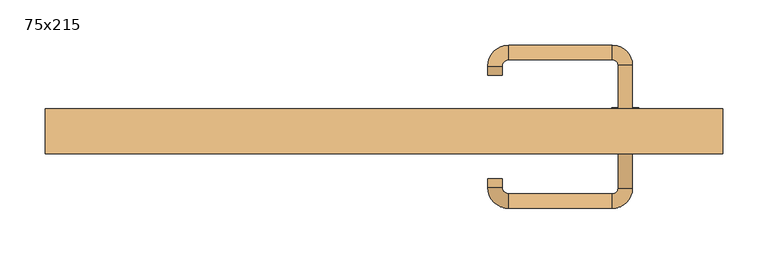
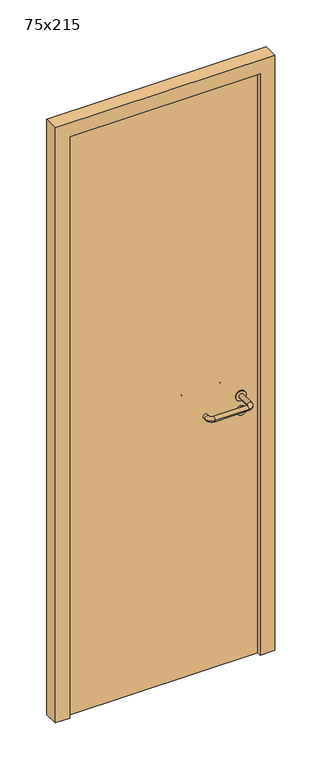
"""IFC4 building model written with IfcOpenShell, lengths in millimetres: door geometry, 75x215."""

from ifc_helpers import new_model, si_unit, point, frame, frame_2d, origin, origin_with_axes, place, context, project, spatial, polyline, circle_curve, ellipse_curve, trimmed, segment, composite_curve, outline, extrude, source, transform, mapped, element, save
from ifc_brep_helpers import plane_surface, cylinder_surface, revolved_surface, advanced_brep


def door_75x215_99fddc84(model_context):
    return source(origin(), model_context, "Body", "SolidModel", [
        extrude(outline(composite_curve([segment(trimmed(circle_curve(frame_2d((897.3605726, 267.0)), 15.0), [point((897.3605726, 282.0))], [point((897.3605726, 252.0))], False, "CARTESIAN"), True, "CONTINUOUS"), segment(trimmed(circle_curve(frame_2d((897.3605726, 267.0)), 15.0), [point((897.3605726, 252.0))], [point((897.3605726, 282.0))], False, "CARTESIAN"), True, "CONTINUOUS")], self_intersect=False), holes=[composite_curve([segment(trimmed(circle_curve(frame_2d((892.5833211, 266.9398032)), 2.0), [point((892.5833211, 268.9398032))], [point((892.5833211, 264.9398032))], True, "CARTESIAN"), True, "CONTINUOUS"), segment(polyline([(892.5833211, 264.9398032), (902.5833211, 264.9398032)]), True, "CONTINUOUS"), segment(trimmed(circle_curve(frame_2d((902.5833211, 266.9398032)), 2.0), [point((902.5833211, 264.9398032))], [point((902.5833211, 268.9398032))], True, "CARTESIAN"), True, "CONTINUOUS"), segment(polyline([(902.5833211, 268.9398032), (892.5833211, 268.9398032)]), True, "CONTINUOUS")], self_intersect=False)]), frame((0.0, 26.15, 0.0), z_axis=(0.0, 1.0, 0.0), x_axis=(0.0, 0.0, 1.0)), (0.0, 0.0, 1.0), 6.35),
        extrude(outline(composite_curve([segment(trimmed(circle_curve(frame_2d((950.0, 267.0)), 17.526), [point((950.0, 284.526))], [point((950.0, 249.474))], False, "CARTESIAN"), True, "CONTINUOUS"), segment(trimmed(circle_curve(frame_2d((950.0, 267.0)), 17.526), [point((950.0, 249.474))], [point((950.0, 284.526))], False, "CARTESIAN"), True, "CONTINUOUS")], self_intersect=False)), frame((0.0, 29.325, 0.0), z_axis=(0.0, 1.0, 0.0), x_axis=(0.0, 0.0, 1.0)), (0.0, 0.0, 1.0), 3.175),
        advanced_brep(
        [(275.0, 32.5, 950.0), (259.0, 32.5, 950.0), (259.0, -20.5, 950.0), (275.0, -20.5, 950.0), (252.8578644, -26.6421356, 950.0), (252.8578644, -42.6421356, 950.0), (137.8578644, -26.6421356, 950.0), (137.8578644, -42.6421356, 950.0), (131.008622, -19.7928932, 950.0), (115.008622, -19.7928932, 950.0), (115.008622, -9.7928932, 950.0), (131.008622, -9.7928932, 950.0)],
        [
            (0, 1, circle_curve(frame((267.0, 32.5, 950.0), z_axis=(0.0, 1.0, 0.0), x_axis=(-1.0, 0.0, 0.0)), 8.0)),
            (1, 0, circle_curve(frame((267.0, 32.5, 950.0), z_axis=(0.0, 1.0, 0.0), x_axis=(-1.0, 0.0, 0.0)), 8.0)),
            (1, 2),
            (2, 3, circle_curve(frame((267.0, -20.5, 950.0), z_axis=(0.0, 1.0, 0.0), x_axis=(-1.0, 0.0, 0.0)), 8.0)),
            (3, 0),
            (3, 2, circle_curve(frame((267.0, -20.5, 950.0), z_axis=(0.0, 1.0, 0.0), x_axis=(-1.0, 0.0, 0.0)), 8.0)),
            (4, 5, circle_curve(frame((252.8578644, -34.6421356, 950.0), z_axis=(1.0, 0.0, 0.0), x_axis=(0.0, 1.0, 0.0)), 8.0)),
            (5, 3, circle_curve(frame((252.8578644, -20.5, 950.0), z_axis=(0.0, 0.0, 1.0), x_axis=(1.0, 0.0, 0.0)), 22.1421356)),
            (2, 4, circle_curve(frame((252.8578644, -20.5, 950.0), z_axis=(0.0, 0.0, -1.0), x_axis=(1.0, 0.0, 0.0)), 6.1421356)),
            (5, 4, circle_curve(frame((252.8578644, -34.6421356, 950.0), z_axis=(1.0, 0.0, 0.0), x_axis=(0.0, 1.0, 0.0)), 8.0)),
            (4, 6),
            (6, 7, circle_curve(frame((137.8578644, -34.6421356, 950.0), z_axis=(1.0, 0.0, 0.0), x_axis=(0.0, 1.0, 0.0)), 8.0)),
            (7, 5),
            (7, 6, circle_curve(frame((137.8578644, -34.6421356, 950.0), z_axis=(1.0, 0.0, 0.0), x_axis=(0.0, 1.0, 0.0)), 8.0)),
            (8, 9, circle_curve(frame((123.008622, -19.7928932, 950.0), z_axis=(0.0, -1.0, 0.0), x_axis=(1.0, 0.0, 0.0)), 8.0)),
            (9, 7, circle_curve(frame((137.8578644, -19.7928932, 950.0), z_axis=(0.0, 0.0, 1.0), x_axis=(0.0, -1.0, 0.0)), 22.8492424)),
            (6, 8, circle_curve(frame((137.8578644, -19.7928932, 950.0), z_axis=(0.0, 0.0, -1.0), x_axis=(0.0, -1.0, 0.0)), 6.8492424)),
            (9, 8, circle_curve(frame((123.008622, -19.7928932, 950.0), z_axis=(0.0, -1.0, 0.0), x_axis=(1.0, 0.0, 0.0)), 8.0)),
            (10, 11, circle_curve(frame((123.008622, -9.7928932, 950.0), z_axis=(0.0, 1.0, 0.0), x_axis=(1.0, 0.0, 0.0)), 8.0)),
            (11, 10, circle_curve(frame((123.008622, -9.7928932, 950.0), z_axis=(0.0, 1.0, 0.0), x_axis=(1.0, 0.0, 0.0)), 8.0)),
            (8, 11),
            (10, 9),
        ],
        [
            plane_surface(frame((267.0, 32.5, 170.0), z_axis=(0.0, 1.0, 0.0), x_axis=(0.0, 0.0, 1.0))),
            cylinder_surface(frame((267.0, 32.5, 950.0), z_axis=(0.0, 1.0, 0.0), x_axis=(-1.0, 0.0, 0.0)), 8.0),
            revolved_surface(trimmed(ellipse_curve(frame((267.0, -20.5, 950.0), z_axis=(0.0, -1.0, 0.0), x_axis=(-1.0, 0.0, 0.0)), 8.0, 8.0), [point((275.0, -20.5, 950.0))], [point((259.0, -20.5, 950.0))], True, "CARTESIAN"), (252.8578644, -20.5, 170.0), (0.0, 0.0, 1.0)),
            revolved_surface(trimmed(ellipse_curve(frame((267.0, -20.5, 950.0), z_axis=(0.0, -1.0, 0.0), x_axis=(-1.0, 0.0, 0.0)), 8.0, 8.0), [point((259.0, -20.5, 950.0))], [point((275.0, -20.5, 950.0))], True, "CARTESIAN"), (252.8578644, -20.5, 170.0), (0.0, 0.0, 1.0)),
            cylinder_surface(frame((252.8578644, -34.6421356, 950.0), z_axis=(1.0, 0.0, 0.0), x_axis=(0.0, 1.0, 0.0)), 8.0),
            revolved_surface(trimmed(ellipse_curve(frame((137.8578644, -34.6421356, 950.0), z_axis=(-1.0, 0.0, 0.0), x_axis=(0.0, 1.0, 0.0)), 8.0, 8.0), [point((137.8578644, -42.6421356, 950.0))], [point((137.8578644, -26.6421356, 950.0))], True, "CARTESIAN"), (137.8578644, -19.7928932, 170.0), (0.0, 0.0, 1.0)),
            revolved_surface(trimmed(ellipse_curve(frame((137.8578644, -34.6421356, 950.0), z_axis=(-1.0, 0.0, 0.0), x_axis=(0.0, 1.0, 0.0)), 8.0, 8.0), [point((137.8578644, -26.6421356, 950.0))], [point((137.8578644, -42.6421356, 950.0))], True, "CARTESIAN"), (137.8578644, -19.7928932, 170.0), (0.0, 0.0, 1.0)),
            plane_surface(frame((123.008622, -9.7928932, 170.0), z_axis=(0.0, 1.0, 0.0), x_axis=(0.0, 0.0, 1.0))),
            cylinder_surface(frame((123.008622, -19.7928932, 950.0), z_axis=(0.0, -1.0, 0.0), x_axis=(1.0, 0.0, 0.0)), 8.0),
        ],
        [
            (0, [[1, 2]]),
            (1, [[3, 4, 5, -2]]),
            (1, [[-5, 6, -3, -1]]),
            (2, [[7, 8, -4, 9]]),
            (3, [[10, -9, -6, -8]]),
            (4, [[11, 12, 13, -7]]),
            (4, [[-13, 14, -11, -10]]),
            (5, [[15, 16, -12, 17]]),
            (6, [[18, -17, -14, -16]]),
            (7, [[19, 20]]),
            (8, [[21, -19, 22, -15]]),
            (8, [[-22, -20, -21, -18]]),
        ],
    ),
        extrude(outline(composite_curve([segment(trimmed(circle_curve(frame_2d((0.0, -15.0)), 15.0), [point((0.0, -30.0))], [point((0.0, 0.0))], False, "CARTESIAN"), True, "CONTINUOUS"), segment(trimmed(circle_curve(frame_2d((0.0, -15.0)), 15.0), [point((0.0, 0.0))], [point((0.0, -30.0))], False, "CARTESIAN"), True, "CONTINUOUS")], self_intersect=False), holes=[composite_curve([segment(trimmed(circle_curve(frame_2d((4.7772515, -14.9398032)), 2.0), [point((4.7772515, -16.9398032))], [point((4.7772515, -12.9398032))], True, "CARTESIAN"), True, "CONTINUOUS"), segment(polyline([(4.7772515, -12.9398032), (-5.2227485, -12.9398032)]), True, "CONTINUOUS"), segment(trimmed(circle_curve(frame_2d((-5.2227485, -14.9398032)), 2.0), [point((-5.2227485, -12.9398032))], [point((-5.2227485, -16.9398032))], True, "CARTESIAN"), True, "CONTINUOUS"), segment(polyline([(-5.2227485, -16.9398032), (4.7772515, -16.9398032)]), True, "CONTINUOUS")], self_intersect=False)]), frame((252.0, 62.5, 897.3605726), z_axis=(1.8870575173328306e-12, 1.0, 0.0), x_axis=(0.0, 0.0, -1.0)), (0.0, 0.0, 1.0), 6.35),
        extrude(outline(composite_curve([segment(trimmed(circle_curve(frame_2d((0.0, -17.526)), 17.526), [point((0.0, -35.052))], [point((0.0, 0.0))], False, "CARTESIAN"), True, "CONTINUOUS"), segment(trimmed(circle_curve(frame_2d((0.0, -17.526)), 17.526), [point((0.0, 0.0))], [point((0.0, -35.052))], False, "CARTESIAN"), True, "CONTINUOUS")], self_intersect=False)), frame((249.474, 62.5, 950.0), z_axis=(1.8870575173328306e-12, 1.0, 0.0), x_axis=(0.0, 0.0, -1.0)), (0.0, 0.0, 1.0), 3.175),
        advanced_brep(
        [(275.0, 62.5, 950.0), (259.0, 62.5, 950.0), (275.0, 115.5, 950.0), (259.0, 115.5, 950.0), (252.8578644, 121.6421356, 950.0), (252.8578644, 137.6421356, 950.0), (137.8578644, 137.6421356, 950.0), (137.8578644, 121.6421356, 950.0), (131.008622, 114.7928932, 950.0), (115.008622, 114.7928932, 950.0), (115.008622, 104.7928932, 950.0), (131.008622, 104.7928932, 950.0)],
        [
            (0, 1, circle_curve(frame((267.0, 62.5, 950.0), z_axis=(-1.888672253512351e-12, -1.0, 0.0), x_axis=(-1.0, 1.888672253512351e-12, 0.0)), 8.0)),
            (1, 0, circle_curve(frame((267.0, 62.5, 950.0), z_axis=(-1.888672253512351e-12, -1.0, 0.0), x_axis=(-1.0, 1.888672253512351e-12, 0.0)), 8.0)),
            (0, 2),
            (2, 3, circle_curve(frame((267.0, 115.5, 950.0), z_axis=(-1.888672253512351e-12, -1.0, 0.0), x_axis=(-1.0, 1.888672253512351e-12, 0.0)), 8.0)),
            (3, 1),
            (3, 2, circle_curve(frame((267.0, 115.5, 950.0), z_axis=(-1.888672253512351e-12, -1.0, 0.0), x_axis=(-1.0, 1.888672253512351e-12, 0.0)), 8.0)),
            (4, 3, circle_curve(frame((252.8578644, 115.5, 950.0), z_axis=(0.0, 0.0, -1.0), x_axis=(1.0, -1.880717803715015e-12, 0.0)), 6.1421356)),
            (2, 5, circle_curve(frame((252.8578644, 115.5, 950.0), z_axis=(0.0, 0.0, 1.0), x_axis=(1.0, -1.880717803715015e-12, 0.0)), 22.1421356)),
            (5, 4, circle_curve(frame((252.8578644, 129.6421356, 950.0), z_axis=(1.0, -1.913702061528922e-12, 0.0), x_axis=(-1.913702061528922e-12, -1.0, 0.0)), 8.0)),
            (4, 5, circle_curve(frame((252.8578644, 129.6421356, 950.0), z_axis=(1.0, -1.913702061528922e-12, 0.0), x_axis=(-1.913702061528922e-12, -1.0, 0.0)), 8.0)),
            (5, 6),
            (6, 7, circle_curve(frame((137.8578644, 129.6421356, 950.0), z_axis=(1.0, -1.913719828541269e-12, 0.0), x_axis=(-1.913719828541269e-12, -1.0, 0.0)), 8.0)),
            (7, 4),
            (7, 6, circle_curve(frame((137.8578644, 129.6421356, 950.0), z_axis=(1.0, -1.913719828541269e-12, 0.0), x_axis=(-1.913719828541269e-12, -1.0, 0.0)), 8.0)),
            (8, 7, circle_curve(frame((137.8578644, 114.7928932, 950.0), z_axis=(0.0, 0.0, -1.0), x_axis=(1.9120873253494017e-12, 1.0, 0.0)), 6.8492424)),
            (6, 9, circle_curve(frame((137.8578644, 114.7928932, 950.0), z_axis=(0.0, 0.0, 1.0), x_axis=(1.9120873253494017e-12, 1.0, 0.0)), 22.8492424)),
            (9, 8, circle_curve(frame((123.008622, 114.7928932, 950.0), z_axis=(1.890670654956676e-12, 1.0, 0.0), x_axis=(1.0, -1.890670654956676e-12, 0.0)), 8.0)),
            (8, 9, circle_curve(frame((123.008622, 114.7928932, 950.0), z_axis=(1.890226565746826e-12, 1.0, 0.0), x_axis=(1.0, -1.890226565746826e-12, 0.0)), 8.0)),
            (10, 11, circle_curve(frame((123.008622, 104.7928932, 950.0), z_axis=(-1.8903642334018795e-12, -1.0, 0.0), x_axis=(1.0, -1.8903642334018795e-12, 0.0)), 8.0)),
            (11, 10, circle_curve(frame((123.008622, 104.7928932, 950.0), z_axis=(-1.8903642334018795e-12, -1.0, 0.0), x_axis=(1.0, -1.8903642334018795e-12, 0.0)), 8.0)),
            (9, 10),
            (11, 8),
        ],
        [
            plane_surface(frame((267.0, 62.5, 170.0), z_axis=(-1.8870575173328306e-12, -1.0, 0.0), x_axis=(0.0, 0.0, 1.0))),
            cylinder_surface(frame((267.0, 62.5, 950.0), z_axis=(-1.888672253512351e-12, -1.0, 0.0), x_axis=(-1.0, 1.888672253512351e-12, 0.0)), 8.0),
            revolved_surface(trimmed(ellipse_curve(frame((267.0, 115.5, 950.0), z_axis=(-1.8823325398945356e-12, -1.0, 0.0), x_axis=(-1.0, 1.8823325398945356e-12, 0.0)), 8.0, 8.0), [point((275.0, 115.5, 950.0))], [point((259.0, 115.5, 950.0))], True, "CARTESIAN"), (252.8578644, 115.5, 170.0), (0.0, 0.0, 1.0)),
            revolved_surface(trimmed(ellipse_curve(frame((267.0, 115.5, 950.0), z_axis=(-1.8823325398945356e-12, -1.0, 0.0), x_axis=(-1.0, 1.8823325398945356e-12, 0.0)), 8.0, 8.0), [point((259.0, 115.5, 950.0))], [point((275.0, 115.5, 950.0))], True, "CARTESIAN"), (252.8578644, 115.5, 170.0), (0.0, 0.0, 1.0)),
            cylinder_surface(frame((252.8578644, 129.6421356, 950.0), z_axis=(1.0, -1.913719828541269e-12, 0.0), x_axis=(-1.913719828541269e-12, -1.0, 0.0)), 8.0),
            revolved_surface(trimmed(ellipse_curve(frame((137.8578644, 129.6421356, 950.0), z_axis=(1.0, -1.913702061528922e-12, 0.0), x_axis=(-1.913702061528922e-12, -1.0, 0.0)), 8.0, 8.0), [point((137.8578644, 137.6421356, 950.0))], [point((137.8578644, 121.6421356, 950.0))], True, "CARTESIAN"), (137.8578644, 114.7928932, 170.0), (0.0, 0.0, 1.0)),
            revolved_surface(trimmed(ellipse_curve(frame((137.8578644, 129.6421356, 950.0), z_axis=(1.0, -1.913702061528922e-12, 0.0), x_axis=(-1.913702061528922e-12, -1.0, 0.0)), 8.0, 8.0), [point((137.8578644, 121.6421356, 950.0))], [point((137.8578644, 137.6421356, 950.0))], True, "CARTESIAN"), (137.8578644, 114.7928932, 170.0), (0.0, 0.0, 1.0)),
            plane_surface(frame((123.008622, 104.7928932, 170.0), z_axis=(-1.8887494972223595e-12, -1.0, 0.0), x_axis=(0.0, 0.0, 1.0))),
            cylinder_surface(frame((123.008622, 114.7928932, 950.0), z_axis=(1.8903642334018795e-12, 1.0, 0.0), x_axis=(1.0, -1.8903642334018795e-12, 0.0)), 8.0),
        ],
        [
            (0, [[1, 2]]),
            (1, [[-1, 3, 4, 5]]),
            (1, [[-2, -5, 6, -3]]),
            (2, [[7, -4, 8, 9]]),
            (3, [[-8, -6, -7, 10]]),
            (4, [[-9, 11, 12, 13]]),
            (4, [[-10, -13, 14, -11]]),
            (5, [[15, -12, 16, 17]]),
            (6, [[-16, -14, -15, 18]]),
            (7, [[19, 20]]),
            (8, [[-17, 21, -20, 22]]),
            (8, [[-18, -22, -19, -21]]),
        ],
    ),
        extrude(outline(polyline([(2100.0, 325.0), (0.0, 325.0), (0.0, 375.0), (2150.0, 375.0), (2150.0, -375.0), (0.0, -375.0), (0.0, -325.0), (2100.0, -325.0), (2100.0, 325.0)])), frame((0.0, 17.5, 0.0), z_axis=(0.0, 1.0, 0.0), x_axis=(0.0, 0.0, 1.0)), (0.0, 0.0, 1.0), 50.0),
        extrude(outline(polyline([(-325.0, 62.5), (325.0, 62.5), (325.0, 32.5), (-325.0, 32.5), (-325.0, 62.5)])), origin_with_axes(), (0.0, 0.0, 1.0), 2100.0),
    ])


if __name__ == "__main__":
    model = new_model("IFC4")
    model_context = context("Model", 3, world=origin())
    ifc_project = project(units=[si_unit("LENGTHUNIT", "METRE", prefix="MILLI")], contexts=[model_context])
    site = spatial("IfcSite", under=ifc_project)
    building = spatial("IfcBuilding", under=site)
    placement = place(None, origin())
    door_75x215_shape = door_75x215_99fddc84(model_context)
    element("IfcDoor", 1, ObjectType="75x215", at=placement, inside=building, context=model_context, shape_type="MappedRepresentation", body=[
        mapped(door_75x215_shape, transform((0.0, 0.0, 0.0), x_axis=(1.0, 0.0, 0.0), y_axis=(0.0, 1.0, 0.0), z_axis=(0.0, 0.0, 1.0))),
    ])
    save(model, "model.ifc")
